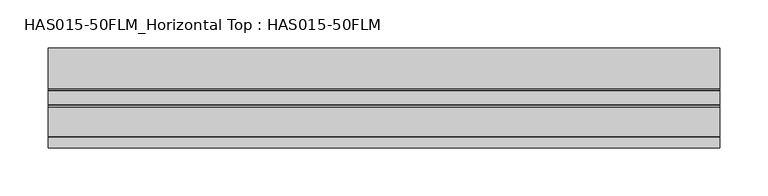
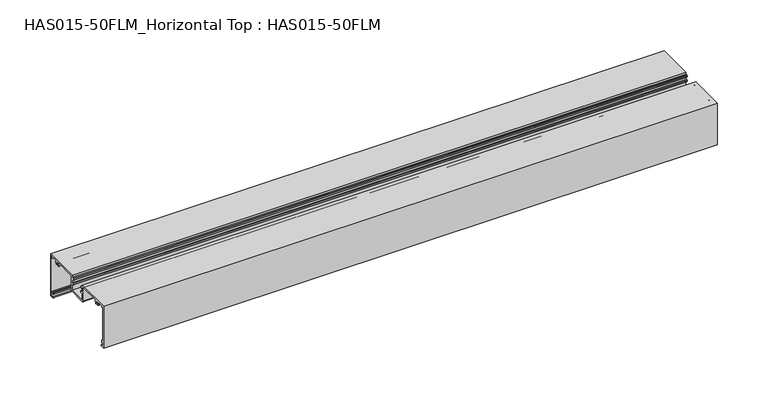
"""IFC4 building model written with IfcOpenShell, lengths in millimetres: beam geometry, HAS015-50FLM_Horizontal Top : HAS015-50FLM."""

from ifc_helpers import new_model, si_unit, point, frame, frame_2d, origin, place, context, project, spatial, polyline, circle_curve, trimmed, segment, composite_curve, outline, extrude, source, transform, mapped, element, save


def has015_50flm_horizontal_top_has015_50flm_38653786(model_context):
    return source(origin(), model_context, "Body", "SweptSolid", [
        extrude(outline(composite_curve([segment(polyline([(9.7397316, -2.3590177), (9.7397316, 0.0), (51.998773, 0.0), (51.998773, -50.0959329), (47.6822725, -50.0959329)]), True, "CONTINUOUS"), segment(trimmed(circle_curve(frame_2d((47.6822725, -49.3932468)), 0.7026861), [point((47.6822725, -50.0959329))], [point((47.6822725, -48.6905607))], False, "CARTESIAN"), True, "CONTINUOUS"), segment(polyline([(47.6822725, -48.6905607), (50.6435926, -48.6905607), (50.6435926, -45.4280894), (48.9370692, -45.4280894)]), True, "CONTINUOUS"), segment(trimmed(circle_curve(frame_2d((48.9370692, -44.6250195)), 0.8030699), [point((48.9370692, -45.4280894))], [point((48.1339993, -44.6250195))], False, "CARTESIAN"), True, "CONTINUOUS"), segment(polyline([(48.1339993, -44.6250195), (48.1339993, -43.4204148)]), True, "CONTINUOUS"), segment(trimmed(circle_curve(frame_2d((48.635918, -43.4204148)), 0.5019187), [point((48.1339993, -43.4204148))], [point((49.1378366, -43.4204148))], False, "CARTESIAN"), True, "CONTINUOUS"), segment(polyline([(49.1378366, -43.4204148), (49.1378366, -44.4242521), (50.6435926, -44.4242521), (50.6435926, -1.3551804), (49.1378366, -1.3551804), (49.1378366, -2.3590177)]), True, "CONTINUOUS"), segment(trimmed(circle_curve(frame_2d((48.635918, -2.3590177)), 0.5019187), [point((49.1378366, -2.3590177))], [point((48.1339993, -2.3590177))], False, "CARTESIAN"), True, "CONTINUOUS"), segment(polyline([(48.1339993, -2.3590177), (48.1339993, -1.3545941), (41.4077771, -1.3545941)]), True, "CONTINUOUS"), segment(trimmed(circle_curve(frame_2d((38.9488879, -3.261885)), 3.1118957), [point((41.4077771, -1.3545941))], [point((41.283567, -5.3193515))], False, "CARTESIAN"), True, "CONTINUOUS"), segment(trimmed(circle_curve(frame_2d((40.7187253, -4.8215773)), 0.752878), [point((41.283567, -5.3193515))], [point((40.1538835, -4.3238032))], False, "CARTESIAN"), True, "CONTINUOUS"), segment(trimmed(circle_curve(frame_2d((38.9488879, -3.261885)), 1.6061397), [point((40.1538835, -4.3238032))], [point((38.9185853, -1.6560312))], True, "CARTESIAN"), True, "CONTINUOUS"), segment(trimmed(circle_curve(frame_2d((38.9488879, -3.261885)), 1.6061397), [point((38.9185853, -1.6560312))], [point((37.7438922, -4.3238032))], True, "CARTESIAN"), True, "CONTINUOUS"), segment(trimmed(circle_curve(frame_2d((37.1790505, -4.8215773)), 0.752878), [point((37.7438922, -4.3238032))], [point((36.6142088, -5.3193515))], False, "CARTESIAN"), True, "CONTINUOUS"), segment(trimmed(circle_curve(frame_2d((38.9488879, -3.261885)), 3.1118957), [point((36.6142088, -5.3193515))], [point((36.1372659, -1.9282147))], False, "CARTESIAN"), True, "CONTINUOUS"), segment(trimmed(circle_curve(frame_2d((35.7744765, -1.7561284)), 0.4015343), [point((36.1372659, -1.9282147))], [point((35.7744765, -1.3545941))], True, "CARTESIAN"), True, "CONTINUOUS"), segment(polyline([(35.7744765, -1.3545941), (11.2956794, -1.3545941), (11.2956794, -18.3702229)]), True, "CONTINUOUS"), segment(trimmed(circle_curve(frame_2d((10.0910746, -18.3702229)), 1.2046048), [point((11.2956794, -18.3702229))], [point((10.0910746, -19.5748277))], False, "CARTESIAN"), True, "CONTINUOUS"), segment(polyline([(10.0910746, -19.5748277), (-10.0910746, -19.5748277)]), True, "CONTINUOUS"), segment(trimmed(circle_curve(frame_2d((-10.0910746, -18.3702229)), 1.2046048), [point((-10.0910746, -19.5748277))], [point((-11.2956794, -18.3702229))], False, "CARTESIAN"), True, "CONTINUOUS"), segment(polyline([(-11.2956794, -18.3702229), (-11.2956794, -1.3545941), (-35.7744765, -1.3545941)]), True, "CONTINUOUS"), segment(trimmed(circle_curve(frame_2d((-35.7744765, -1.7561284)), 0.4015343), [point((-35.7744765, -1.3545941))], [point((-36.1372659, -1.9282147))], True, "CARTESIAN"), True, "CONTINUOUS"), segment(trimmed(circle_curve(frame_2d((-38.9488879, -3.261885)), 3.1118957), [point((-36.1372659, -1.9282147))], [point((-36.6142088, -5.3193515))], False, "CARTESIAN"), True, "CONTINUOUS"), segment(trimmed(circle_curve(frame_2d((-37.1790505, -4.8215773)), 0.752878), [point((-36.6142088, -5.3193515))], [point((-37.7438922, -4.3238032))], False, "CARTESIAN"), True, "CONTINUOUS"), segment(trimmed(circle_curve(frame_2d((-38.9488879, -3.261885)), 1.6061397), [point((-37.7438922, -4.3238032))], [point((-38.9939217, -1.6563768))], True, "CARTESIAN"), True, "CONTINUOUS"), segment(trimmed(circle_curve(frame_2d((-38.9488879, -3.261885)), 1.6061397), [point((-38.9939217, -1.6563768))], [point((-40.1538836, -4.3238032))], True, "CARTESIAN"), True, "CONTINUOUS"), segment(trimmed(circle_curve(frame_2d((-40.7187253, -4.8215773)), 0.752878), [point((-40.1538836, -4.3238032))], [point((-41.283567, -5.3193515))], False, "CARTESIAN"), True, "CONTINUOUS"), segment(trimmed(circle_curve(frame_2d((-38.9488879, -3.261885)), 3.1118957), [point((-41.283567, -5.3193515))], [point((-41.4082317, -1.3551804))], False, "CARTESIAN"), True, "CONTINUOUS"), segment(polyline([(-41.4082317, -1.3551804), (-48.1339993, -1.3551804), (-48.1339993, -2.3590177)]), True, "CONTINUOUS"), segment(trimmed(circle_curve(frame_2d((-48.635918, -2.3590177)), 0.5019187), [point((-48.1339993, -2.3590177))], [point((-49.1378366, -2.3590177))], False, "CARTESIAN"), True, "CONTINUOUS"), segment(polyline([(-49.1378366, -2.3590177), (-49.1378366, -1.3551804), (-50.6435926, -1.3551804), (-50.6435926, -44.4242521), (-49.1378366, -44.4242521), (-49.1378366, -43.4204148)]), True, "CONTINUOUS"), segment(trimmed(circle_curve(frame_2d((-48.635918, -43.4204148)), 0.5019187), [point((-49.1378366, -43.4204148))], [point((-48.1339993, -43.4204148))], False, "CARTESIAN"), True, "CONTINUOUS"), segment(polyline([(-48.1339993, -43.4204148), (-48.1339993, -44.6250195)]), True, "CONTINUOUS"), segment(trimmed(circle_curve(frame_2d((-48.9370692, -44.6250195)), 0.8030699), [point((-48.1339993, -44.6250195))], [point((-48.9370692, -45.4280894))], False, "CARTESIAN"), True, "CONTINUOUS"), segment(polyline([(-48.9370692, -45.4280894), (-50.6435926, -45.4280894), (-50.6435926, -48.6905607), (-47.6822725, -48.6905607)]), True, "CONTINUOUS"), segment(trimmed(circle_curve(frame_2d((-47.6822725, -49.3932468)), 0.7026861), [point((-47.6822725, -48.6905607))], [point((-47.6822725, -50.0959329))], False, "CARTESIAN"), True, "CONTINUOUS"), segment(polyline([(-47.6822725, -50.0959329), (-51.998773, -50.0959329), (-51.998773, 0.0), (-9.7397316, 0.0), (-9.7397316, -2.3590177), (-8.0332081, -2.3590177)]), True, "CONTINUOUS"), segment(trimmed(circle_curve(frame_2d((-8.0332081, -2.8609364)), 0.5019187), [point((-8.0332081, -2.3590177))], [point((-7.5312895, -2.8609364))], False, "CARTESIAN"), True, "CONTINUOUS"), segment(polyline([(-7.5312895, -2.8609364), (-7.5312895, -4.4663086)]), True, "CONTINUOUS"), segment(trimmed(circle_curve(frame_2d((-8.0332081, -4.4663086)), 0.5019187), [point((-7.5312895, -4.4663086))], [point((-8.5351268, -4.4663086))], False, "CARTESIAN"), True, "CONTINUOUS"), segment(polyline([(-8.5351268, -4.4663086), (-8.5351268, -3.6640062), (-9.940499, -3.6640062), (-9.940499, -9.0847277), (-8.5351268, -9.0847277), (-8.5351268, -8.2824253)]), True, "CONTINUOUS"), segment(trimmed(circle_curve(frame_2d((-8.0332081, -8.2824253)), 0.5019187), [point((-8.5351268, -8.2824253))], [point((-7.5312895, -8.2824253))], False, "CARTESIAN"), True, "CONTINUOUS"), segment(polyline([(-7.5312895, -8.2824253), (-7.5312895, -9.8877976)]), True, "CONTINUOUS"), segment(trimmed(circle_curve(frame_2d((-8.0332081, -9.8877976)), 0.5019187), [point((-7.5312895, -9.8877976))], [point((-8.0332081, -10.3897162))], False, "CARTESIAN"), True, "CONTINUOUS"), segment(polyline([(-8.0332081, -10.3897162), (-9.7397316, -10.3897162), (-9.7397316, -18.0188798), (9.7397316, -18.0188798), (9.7397316, -10.3897162), (8.0332081, -10.3897162)]), True, "CONTINUOUS"), segment(trimmed(circle_curve(frame_2d((8.0332081, -9.8877976)), 0.5019187), [point((8.0332081, -10.3897162))], [point((7.5312895, -9.8877976))], False, "CARTESIAN"), True, "CONTINUOUS"), segment(polyline([(7.5312895, -9.8877976), (7.5312895, -8.2824253)]), True, "CONTINUOUS"), segment(trimmed(circle_curve(frame_2d((8.0332081, -8.2824253)), 0.5019187), [point((7.5312895, -8.2824253))], [point((8.5351268, -8.2824253))], False, "CARTESIAN"), True, "CONTINUOUS"), segment(polyline([(8.5351268, -8.2824253), (8.5351268, -9.0847277), (9.940499, -9.0847277), (9.940499, -3.6640062), (8.5351268, -3.6640062), (8.5351268, -4.4663086)]), True, "CONTINUOUS"), segment(trimmed(circle_curve(frame_2d((8.0332081, -4.4663086)), 0.5019187), [point((8.5351268, -4.4663086))], [point((7.5312895, -4.4663086))], False, "CARTESIAN"), True, "CONTINUOUS"), segment(polyline([(7.5312895, -4.4663086), (7.5312895, -2.8609364)]), True, "CONTINUOUS"), segment(trimmed(circle_curve(frame_2d((8.0332081, -2.8609364)), 0.5019187), [point((7.5312895, -2.8609364))], [point((8.0332081, -2.3590177))], False, "CARTESIAN"), True, "CONTINUOUS"), segment(polyline([(8.0332081, -2.3590177), (9.7397316, -2.3590177)]), True, "CONTINUOUS")], self_intersect=False)), frame((-348.9002298, 0.0, 0.0), z_axis=(1.0, 0.0, 0.0), x_axis=(0.0, 1.0, 0.0)), (0.0, 0.0, 1.0), 697.8004595),
    ])


if __name__ == "__main__":
    model = new_model("IFC4")
    model_context = context("Model", 3, world=origin())
    ifc_project = project(units=[si_unit("LENGTHUNIT", "METRE", prefix="MILLI")], contexts=[model_context])
    site = spatial("IfcSite", under=ifc_project)
    building = spatial("IfcBuilding", under=site)
    placement = place(None, origin())
    has015_50flm_horizontal_top_has015_50flm_shape = has015_50flm_horizontal_top_has015_50flm_38653786(model_context)
    element("IfcBeam", 1, ObjectType="HAS015-50FLM_Horizontal Top : HAS015-50FLM", at=placement, inside=building, context=model_context, shape_type="MappedRepresentation", body=[
        mapped(has015_50flm_horizontal_top_has015_50flm_shape, transform((0.0, 0.0, 0.0), x_axis=(1.0, 0.0, 0.0), y_axis=(0.0, 1.0, 0.0), z_axis=(0.0, 0.0, 1.0))),
    ])
    save(model, "model.ifc")
